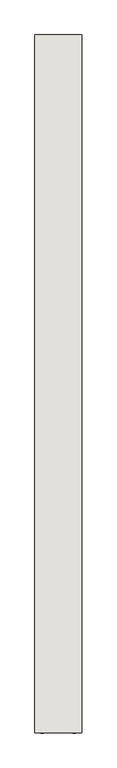
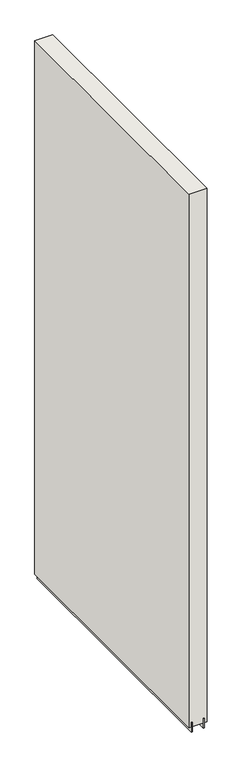
"""IFC4 building model written with IfcOpenShell, lengths in millimetres: wall geometry."""

import ifcopenshell
import ifcopenshell.guid

model = None  # the IFC model being written
_history = None  # IfcOwnerHistory: only IFC2X3 demands one
_inside = {}  # id of a spatial element -> (the spatial element, [elements in it])
_under = {}  # id of a project, library or spatial element -> (it, [spatial elements below it])
_declared = {}  # id of a project -> (the project, [libraries it declares])
_typed = {}  # id of a type object -> (the type object, [elements of that type])
_made_of = {}  # id of a material, layer set ... -> (it, [elements and type objects made of it])


def new_model(schema):
    """Start an empty IFC model of exactly this schema.

    Asked for "IFC4X3", IfcOpenShell would pick the latest addendum, in which some entities
    have other attributes; the version numbers below select the first issue.
    IFC2X3 requires an IfcOwnerHistory on every rooted entity: one is made here for all.
    """
    global model, _history
    if schema == "IFC4X3":
        model = ifcopenshell.file(schema_version=(4, 3, 0, 0))
    else:
        model = ifcopenshell.file(schema=schema)
    _inside.clear()
    _under.clear()
    _declared.clear()
    _typed.clear()
    _made_of.clear()
    _history = None
    if model.schema == "IFC2X3":
        org = make("IfcOrganization", Name="unknown")
        user = make(
            "IfcPersonAndOrganization",
            ThePerson=make("IfcPerson", FamilyName="unknown"),
            TheOrganization=org,
        )
        app = make(
            "IfcApplication",
            ApplicationDeveloper=org,
            Version="unknown",
            ApplicationFullName="unknown",
            ApplicationIdentifier="unknown",
        )
        _history = make(
            "IfcOwnerHistory",
            OwningUser=user,
            OwningApplication=app,
            ChangeAction="ADDED",
            CreationDate=0,
        )
    return model


def make(cls, **values):
    """One entity of the class cls with the attributes given. An attribute that is None is left unset."""
    return model.create_entity(
        cls, **{name: value for name, value in values.items() if value is not None}
    )


def rooted(cls, **values):
    """An entity with a GlobalId (a new one), such as an element, a storey or a relation."""
    return make(cls, GlobalId=ifcopenshell.guid.new(), OwnerHistory=_history, **values)


def si_unit(unit_type, name, prefix=None):
    """IfcSIUnit, for example si_unit("LENGTHUNIT", "METRE", prefix="MILLI")."""
    return make("IfcSIUnit", UnitType=unit_type, Prefix=prefix, Name=name)


def assignment(units):
    """IfcUnitAssignment: the units of a project."""
    return None if units is None else make("IfcUnitAssignment", Units=units)


def point(xyz):
    """IfcCartesianPoint."""
    return None if xyz is None else make("IfcCartesianPoint", Coordinates=xyz)


def direction(xyz):
    """IfcDirection."""
    return None if xyz is None else make("IfcDirection", DirectionRatios=xyz)


def frame(location, z_axis=None, x_axis=None):
    """IfcAxis2Placement3D, a coordinate frame: its origin and axes. An axis left out is left unset."""
    return make(
        "IfcAxis2Placement3D",
        Location=point(location),
        Axis=direction(z_axis),
        RefDirection=direction(x_axis),
    )


def origin():
    """The frame at (0, 0, 0) with its axes left unset."""
    return frame((0.0, 0.0, 0.0))


def place(relative_to, where):
    """IfcLocalPlacement: puts the frame where relative to a parent placement (None: the world)."""
    return make(
        "IfcLocalPlacement", PlacementRelTo=relative_to, RelativePlacement=where
    )


def context(
    kind, dimensions, precision=None, world=None, true_north=None, identifier=None
):
    """IfcGeometricRepresentationContext, for example the 3D "Model" context."""
    return make(
        "IfcGeometricRepresentationContext",
        ContextIdentifier=identifier,
        ContextType=kind,
        CoordinateSpaceDimension=dimensions,
        Precision=precision,
        WorldCoordinateSystem=world,
        TrueNorth=true_north,
    )


def project(units=None, contexts=None):
    """IfcProject with its units and contexts."""
    return rooted(
        "IfcProject",
        Name="project",
        RepresentationContexts=contexts,
        UnitsInContext=assignment(units),
    )


def spatial(cls, under=None, at=None, **own):
    """A site, building, storey or space (cls), placed at a placement, below another one or the project."""
    s = rooted(cls, ObjectPlacement=at, **own)
    if under is not None:
        _under.setdefault(under.id(), (under, []))[1].append(s)
    return s


def polyline(points):
    """IfcPolyline through the points."""
    return make("IfcPolyline", Points=[point(p) for p in points])


def outline(outer, holes=None, kind="AREA"):
    """IfcArbitraryClosedProfileDef: a profile drawn as a closed curve; with holes, ...WithVoids."""
    if holes is None:
        return make("IfcArbitraryClosedProfileDef", ProfileType=kind, OuterCurve=outer)
    return make(
        "IfcArbitraryProfileDefWithVoids",
        ProfileType=kind,
        OuterCurve=outer,
        InnerCurves=holes,
    )


def extrude(swept, where, along, depth):
    """IfcExtrudedAreaSolid: the profile swept, set in the frame where, extruded along a direction by depth."""
    return make(
        "IfcExtrudedAreaSolid",
        SweptArea=swept,
        Position=where,
        ExtrudedDirection=direction(along),
        Depth=depth,
    )


def shape(context_of_items, identifier, shape_type, items):
    """IfcShapeRepresentation: the items that make up one representation, for example the "Body"."""
    return make(
        "IfcShapeRepresentation",
        ContextOfItems=context_of_items,
        RepresentationIdentifier=identifier,
        RepresentationType=shape_type,
        Items=items,
    )


def source(mapping_origin, context_of_items, identifier, shape_type, items):
    """IfcRepresentationMap: a shape defined once, which mapped items show again and again."""
    return make(
        "IfcRepresentationMap",
        MappingOrigin=mapping_origin,
        MappedRepresentation=shape(context_of_items, identifier, shape_type, items),
    )


def transform(
    local_origin,
    x_axis=None,
    y_axis=None,
    z_axis=None,
    scale=None,
    scale2=None,
    scale3=None,
    uniform=True,
):
    """IfcCartesianTransformationOperator3D, or its non-uniform kind. x_axis, y_axis, z_axis: its Axis1, 2, 3."""
    if uniform:
        return make(
            "IfcCartesianTransformationOperator3D",
            Axis1=direction(x_axis),
            Axis2=direction(y_axis),
            LocalOrigin=point(local_origin),
            Scale=scale,
            Axis3=direction(z_axis),
        )
    return make(
        "IfcCartesianTransformationOperator3DnonUniform",
        Axis1=direction(x_axis),
        Axis2=direction(y_axis),
        LocalOrigin=point(local_origin),
        Scale=scale,
        Axis3=direction(z_axis),
        Scale2=scale2,
        Scale3=scale3,
    )


def mapped(mapping_source, mapping_target):
    """IfcMappedItem: shows the shape of a source again, moved by a transform."""
    return make(
        "IfcMappedItem", MappingSource=mapping_source, MappingTarget=mapping_target
    )


def made_of(thing, what):
    """Note that an element or type object is made of a material, layer set ...; save() writes the relation."""
    if what is not None:
        _made_of.setdefault(what.id(), (what, []))[1].append(thing)
    return thing


def element(
    cls,
    number,
    at=None,
    inside=None,
    cuts=None,
    type_object=None,
    material=None,
    context=None,
    identifier="Body",
    shape_type=None,
    held_by="IfcProductDefinitionShape",
    body=None,
    shapes=None,
    **own,
):
    """One element of the class cls, such as IfcWall. Its Tag is "e" and its number.

    at: its placement. inside: the storey or other place that contains it. cuts: it is an
    opening in that element (IfcRelVoidsElement). A single representation is given by context,
    identifier, shape_type and body (its items); several are given by shapes. held_by: the class
    of the entity that holds the representations. save() writes the other relations.
    """
    e = rooted(cls, Tag="e%d" % number, ObjectPlacement=at, **own)
    if body is not None:
        shapes = [shape(context, identifier, shape_type, body)]
    if shapes is not None:
        e.Representation = make(held_by, Representations=shapes)
    if inside is not None:
        _inside.setdefault(inside.id(), (inside, []))[1].append(e)
    if cuts is not None:
        rooted(
            "IfcRelVoidsElement", RelatingBuildingElement=cuts, RelatedOpeningElement=e
        )
    if type_object is not None:
        _typed.setdefault(type_object.id(), (type_object, []))[1].append(e)
    return made_of(e, material)


def aggregate(whole, parts):
    """IfcRelAggregates: a whole, such as a stair, and the parts it consists of."""
    return rooted("IfcRelAggregates", RelatingObject=whole, RelatedObjects=parts)


def save(model, path):
    """Write the relations noted so far, then the file.

    IfcRelAggregates (storeys below a building ...), IfcRelContainedInSpatialStructure (elements
    in a storey), IfcRelDefinesByType, IfcRelAssociatesMaterial and IfcRelDeclares: one each for
    every whole, place, type object, material and project.
    """
    for whole, parts in _under.values():
        aggregate(whole, parts)
    for where, things in _inside.values():
        rooted(
            "IfcRelContainedInSpatialStructure",
            RelatedElements=things,
            RelatingStructure=where,
        )
    for kind, things in _typed.values():
        rooted("IfcRelDefinesByType", RelatedObjects=things, RelatingType=kind)
    for what, things in _made_of.values():
        rooted("IfcRelAssociatesMaterial", RelatedObjects=things, RelatingMaterial=what)
    for by, libraries in _declared.values():
        rooted("IfcRelDeclares", RelatingContext=by, RelatedDefinitions=libraries)
    model.write(path)


def wall_36f8cb8a(model_context):
    return source(origin(), model_context, "Body", "SweptSolid", [
        extrude(outline(polyline([(69318.542211, -45971.4748844), (69318.542211, -45968.9348844), (69321.082211, -45968.9348844), (69321.082211, -45971.4748844), (69318.542211, -45971.4748844)])), frame((0.0, 0.0, 4419.6), z_axis=(0.0, 0.0, 1.0), x_axis=(1.0, 0.0, 0.0)), (0.0, 0.0, 1.0), 2.54),
        extrude(outline(polyline([(69344.8959556, -47183.6253938), (69344.8959556, -45968.946035), (69349.974711, -45968.946035), (69349.974711, -47183.6253938), (69344.8959556, -47183.6253938)])), frame((0.0, 0.0, 4418.6602), z_axis=(0.0, 0.0, 1.0), x_axis=(1.0, 0.0, 0.0)), (0.0, 0.0, 1.0), 47.625),
        extrude(outline(polyline([(69344.8959556, -47183.6253938), (69344.8959556, -45968.946035), (69349.974711, -45968.946035), (69349.974711, -47183.6253938), (69344.8959556, -47183.6253938)])), frame((0.0, 0.0, 4418.6602), z_axis=(0.0, 0.0, 1.0), x_axis=(1.0, 0.0, 0.0)), (0.0, 0.0, 1.0), 47.625),
        extrude(outline(polyline([(69294.7284664, -45968.946035), (69294.7284664, -47183.6253938), (69289.649711, -47183.6253938), (69289.649711, -45968.946035), (69294.7284664, -45968.946035)])), frame((0.0, 0.0, 4418.6602), z_axis=(0.0, 0.0, 1.0), x_axis=(1.0, 0.0, 0.0)), (0.0, 0.0, 1.0), 47.625),
        extrude(outline(polyline([(69294.7284664, -45968.946035), (69294.7284664, -47183.6253938), (69289.649711, -47183.6253938), (69289.649711, -45968.946035), (69294.7284664, -45968.946035)])), frame((0.0, 0.0, 4418.6602), z_axis=(0.0, 0.0, 1.0), x_axis=(1.0, 0.0, 0.0)), (0.0, 0.0, 1.0), 47.625),
        extrude(outline(polyline([(69360.4670954, -47183.6253938), (69279.1573266, -47183.6253938), (69279.1573266, -45968.946035), (69360.4670954, -45968.946035), (69360.4670954, -47183.6253938)])), frame((0.0, 0.0, 4445.0), z_axis=(0.0, 0.0, 1.0), x_axis=(1.0, 0.0, 0.0)), (0.0, 0.0, 1.0), 2562.4536762),
    ])


if __name__ == "__main__":
    model = new_model("IFC4")
    model_context = context("Model", 3, world=origin())
    ifc_project = project(units=[si_unit("LENGTHUNIT", "METRE", prefix="MILLI")], contexts=[model_context])
    site = spatial("IfcSite", under=ifc_project)
    building = spatial("IfcBuilding", under=site)
    placement = place(None, origin())
    wall_shape = wall_36f8cb8a(model_context)
    element("IfcWall", 1, at=placement, inside=building, context=model_context, shape_type="MappedRepresentation", body=[
        mapped(wall_shape, transform((0.0, 0.0, 0.0), x_axis=(1.0, 0.0, 0.0), y_axis=(0.0, 1.0, 0.0), z_axis=(0.0, 0.0, 1.0))),
    ])
    save(model, "model.ifc")
